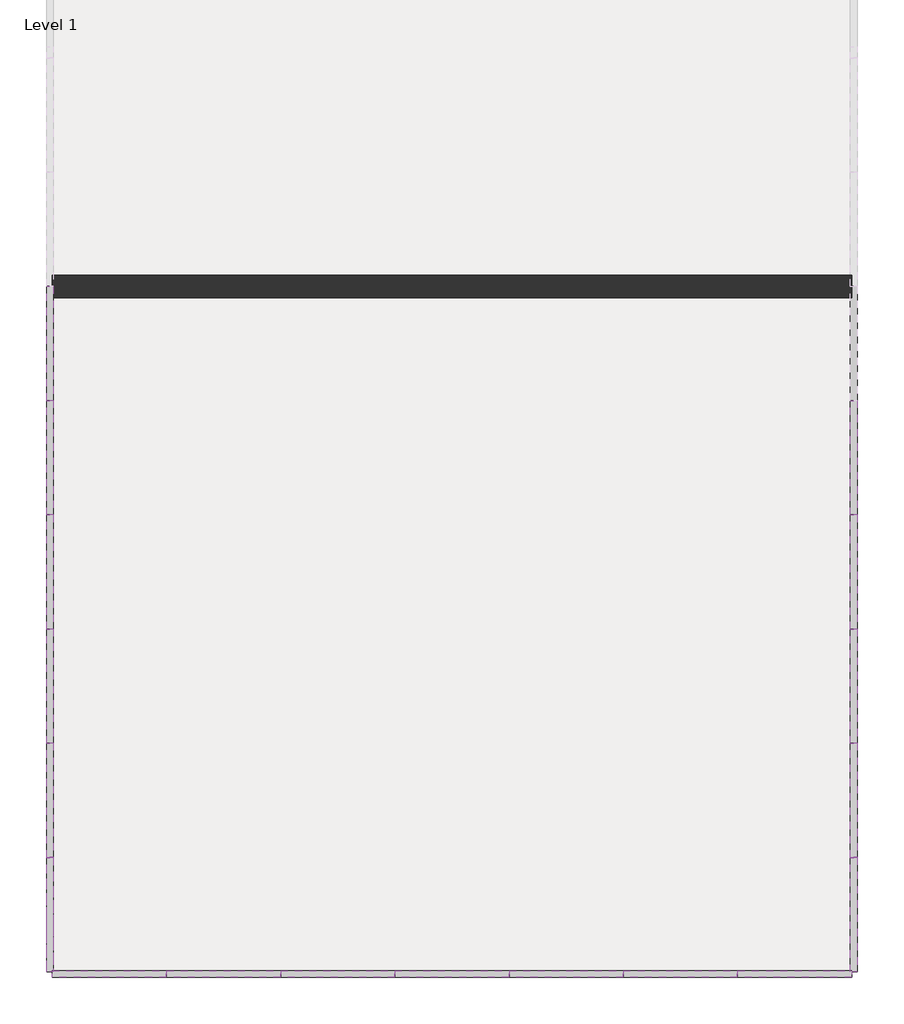
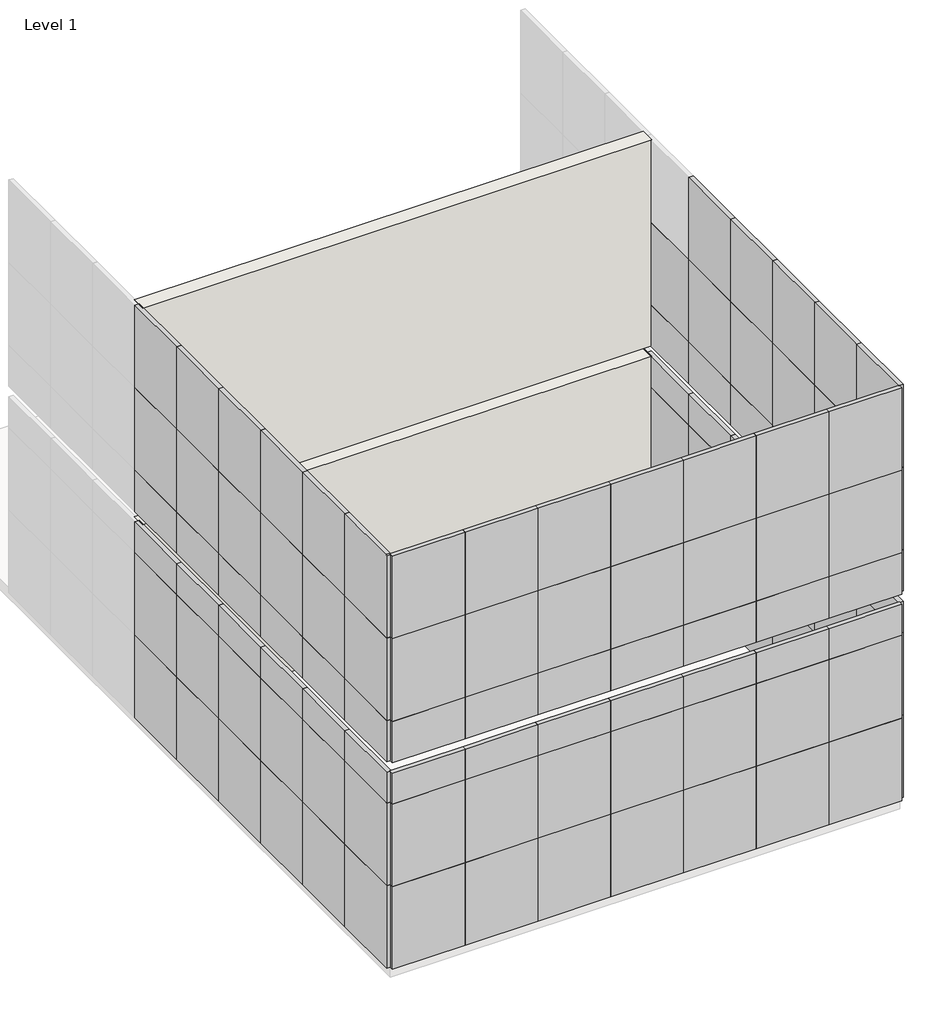
# One storey, part 1 of 2: 100 plates, 1 wall.
"""IFC4 building model written with IfcOpenShell, lengths in millimetres."""

import ifcopenshell
import ifcopenshell.guid

model = None  # the IFC model being written
_history = None  # IfcOwnerHistory: only IFC2X3 demands one
_inside = {}  # id of a spatial element -> (the spatial element, [elements in it])
_under = {}  # id of a project, library or spatial element -> (it, [spatial elements below it])
_declared = {}  # id of a project -> (the project, [libraries it declares])
_typed = {}  # id of a type object -> (the type object, [elements of that type])
_made_of = {}  # id of a material, layer set ... -> (it, [elements and type objects made of it])


def new_model(schema):
    """Start an empty IFC model of exactly this schema.

    Asked for "IFC4X3", IfcOpenShell would pick the latest addendum, in which some entities
    have other attributes; the version numbers below select the first issue.
    IFC2X3 requires an IfcOwnerHistory on every rooted entity: one is made here for all.
    """
    global model, _history
    if schema == "IFC4X3":
        model = ifcopenshell.file(schema_version=(4, 3, 0, 0))
    else:
        model = ifcopenshell.file(schema=schema)
    _inside.clear()
    _under.clear()
    _declared.clear()
    _typed.clear()
    _made_of.clear()
    _history = None
    if model.schema == "IFC2X3":
        org = make("IfcOrganization", Name="unknown")
        user = make(
            "IfcPersonAndOrganization",
            ThePerson=make("IfcPerson", FamilyName="unknown"),
            TheOrganization=org,
        )
        app = make(
            "IfcApplication",
            ApplicationDeveloper=org,
            Version="unknown",
            ApplicationFullName="unknown",
            ApplicationIdentifier="unknown",
        )
        _history = make(
            "IfcOwnerHistory",
            OwningUser=user,
            OwningApplication=app,
            ChangeAction="ADDED",
            CreationDate=0,
        )
    return model


def make(cls, **values):
    """One entity of the class cls with the attributes given. An attribute that is None is left unset."""
    return model.create_entity(
        cls, **{name: value for name, value in values.items() if value is not None}
    )


def rooted(cls, **values):
    """An entity with a GlobalId (a new one), such as an element, a storey or a relation."""
    return make(cls, GlobalId=ifcopenshell.guid.new(), OwnerHistory=_history, **values)


def si_unit(unit_type, name, prefix=None):
    """IfcSIUnit, for example si_unit("LENGTHUNIT", "METRE", prefix="MILLI")."""
    return make("IfcSIUnit", UnitType=unit_type, Prefix=prefix, Name=name)


def assignment(units):
    """IfcUnitAssignment: the units of a project."""
    return None if units is None else make("IfcUnitAssignment", Units=units)


def point(xyz):
    """IfcCartesianPoint."""
    return None if xyz is None else make("IfcCartesianPoint", Coordinates=xyz)


def direction(xyz):
    """IfcDirection."""
    return None if xyz is None else make("IfcDirection", DirectionRatios=xyz)


def frame(location, z_axis=None, x_axis=None):
    """IfcAxis2Placement3D, a coordinate frame: its origin and axes. An axis left out is left unset."""
    return make(
        "IfcAxis2Placement3D",
        Location=point(location),
        Axis=direction(z_axis),
        RefDirection=direction(x_axis),
    )


def origin():
    """The frame at (0, 0, 0) with its axes left unset."""
    return frame((0.0, 0.0, 0.0))


def origin_with_axes():
    """The frame at (0, 0, 0) with the z axis (0, 0, 1) and the x axis (1, 0, 0) written out."""
    return frame((0.0, 0.0, 0.0), z_axis=(0.0, 0.0, 1.0), x_axis=(1.0, 0.0, 0.0))


def place(relative_to, where):
    """IfcLocalPlacement: puts the frame where relative to a parent placement (None: the world)."""
    return make(
        "IfcLocalPlacement", PlacementRelTo=relative_to, RelativePlacement=where
    )


def context(
    kind, dimensions, precision=None, world=None, true_north=None, identifier=None
):
    """IfcGeometricRepresentationContext, for example the 3D "Model" context."""
    return make(
        "IfcGeometricRepresentationContext",
        ContextIdentifier=identifier,
        ContextType=kind,
        CoordinateSpaceDimension=dimensions,
        Precision=precision,
        WorldCoordinateSystem=world,
        TrueNorth=true_north,
    )


def project(units=None, contexts=None):
    """IfcProject with its units and contexts."""
    return rooted(
        "IfcProject",
        Name="project",
        RepresentationContexts=contexts,
        UnitsInContext=assignment(units),
    )


def spatial(cls, under=None, at=None, **own):
    """A site, building, storey or space (cls), placed at a placement, below another one or the project."""
    s = rooted(cls, ObjectPlacement=at, **own)
    if under is not None:
        _under.setdefault(under.id(), (under, []))[1].append(s)
    return s


def polyline(points):
    """IfcPolyline through the points."""
    return make("IfcPolyline", Points=[point(p) for p in points])


def outline(outer, holes=None, kind="AREA"):
    """IfcArbitraryClosedProfileDef: a profile drawn as a closed curve; with holes, ...WithVoids."""
    if holes is None:
        return make("IfcArbitraryClosedProfileDef", ProfileType=kind, OuterCurve=outer)
    return make(
        "IfcArbitraryProfileDefWithVoids",
        ProfileType=kind,
        OuterCurve=outer,
        InnerCurves=holes,
    )


def extrude(swept, where, along, depth):
    """IfcExtrudedAreaSolid: the profile swept, set in the frame where, extruded along a direction by depth."""
    return make(
        "IfcExtrudedAreaSolid",
        SweptArea=swept,
        Position=where,
        ExtrudedDirection=direction(along),
        Depth=depth,
    )


def shape(context_of_items, identifier, shape_type, items):
    """IfcShapeRepresentation: the items that make up one representation, for example the "Body"."""
    return make(
        "IfcShapeRepresentation",
        ContextOfItems=context_of_items,
        RepresentationIdentifier=identifier,
        RepresentationType=shape_type,
        Items=items,
    )


def source(mapping_origin, context_of_items, identifier, shape_type, items):
    """IfcRepresentationMap: a shape defined once, which mapped items show again and again."""
    return make(
        "IfcRepresentationMap",
        MappingOrigin=mapping_origin,
        MappedRepresentation=shape(context_of_items, identifier, shape_type, items),
    )


def transform(
    local_origin,
    x_axis=None,
    y_axis=None,
    z_axis=None,
    scale=None,
    scale2=None,
    scale3=None,
    uniform=True,
):
    """IfcCartesianTransformationOperator3D, or its non-uniform kind. x_axis, y_axis, z_axis: its Axis1, 2, 3."""
    if uniform:
        return make(
            "IfcCartesianTransformationOperator3D",
            Axis1=direction(x_axis),
            Axis2=direction(y_axis),
            LocalOrigin=point(local_origin),
            Scale=scale,
            Axis3=direction(z_axis),
        )
    return make(
        "IfcCartesianTransformationOperator3DnonUniform",
        Axis1=direction(x_axis),
        Axis2=direction(y_axis),
        LocalOrigin=point(local_origin),
        Scale=scale,
        Axis3=direction(z_axis),
        Scale2=scale2,
        Scale3=scale3,
    )


def mapped(mapping_source, mapping_target):
    """IfcMappedItem: shows the shape of a source again, moved by a transform."""
    return make(
        "IfcMappedItem", MappingSource=mapping_source, MappingTarget=mapping_target
    )


def made_of(thing, what):
    """Note that an element or type object is made of a material, layer set ...; save() writes the relation."""
    if what is not None:
        _made_of.setdefault(what.id(), (what, []))[1].append(thing)
    return thing


def element(
    cls,
    number,
    at=None,
    inside=None,
    cuts=None,
    type_object=None,
    material=None,
    context=None,
    identifier="Body",
    shape_type=None,
    held_by="IfcProductDefinitionShape",
    body=None,
    shapes=None,
    **own,
):
    """One element of the class cls, such as IfcWall. Its Tag is "e" and its number.

    at: its placement. inside: the storey or other place that contains it. cuts: it is an
    opening in that element (IfcRelVoidsElement). A single representation is given by context,
    identifier, shape_type and body (its items); several are given by shapes. held_by: the class
    of the entity that holds the representations. save() writes the other relations.
    """
    e = rooted(cls, Tag="e%d" % number, ObjectPlacement=at, **own)
    if body is not None:
        shapes = [shape(context, identifier, shape_type, body)]
    if shapes is not None:
        e.Representation = make(held_by, Representations=shapes)
    if inside is not None:
        _inside.setdefault(inside.id(), (inside, []))[1].append(e)
    if cuts is not None:
        rooted(
            "IfcRelVoidsElement", RelatingBuildingElement=cuts, RelatedOpeningElement=e
        )
    if type_object is not None:
        _typed.setdefault(type_object.id(), (type_object, []))[1].append(e)
    return made_of(e, material)


def aggregate(whole, parts):
    """IfcRelAggregates: a whole, such as a stair, and the parts it consists of."""
    return rooted("IfcRelAggregates", RelatingObject=whole, RelatedObjects=parts)


def save(model, path):
    """Write the relations noted so far, then the file.

    IfcRelAggregates (storeys below a building ...), IfcRelContainedInSpatialStructure (elements
    in a storey), IfcRelDefinesByType, IfcRelAssociatesMaterial and IfcRelDeclares: one each for
    every whole, place, type object, material and project.
    """
    for whole, parts in _under.values():
        aggregate(whole, parts)
    for where, things in _inside.values():
        rooted(
            "IfcRelContainedInSpatialStructure",
            RelatedElements=things,
            RelatingStructure=where,
        )
    for kind, things in _typed.values():
        rooted("IfcRelDefinesByType", RelatedObjects=things, RelatingType=kind)
    for what, things in _made_of.values():
        rooted("IfcRelAssociatesMaterial", RelatedObjects=things, RelatingMaterial=what)
    for by, libraries in _declared.values():
        rooted("IfcRelDeclares", RelatingContext=by, RelatedDefinitions=libraries)
    model.write(path)


def system_panel_solid_58f92528(model_context):
    return source(origin(), model_context, "Body", "SweptSolid", [
        extrude(outline(polyline([(500.0, -10.5), (-500.0, -10.5), (-500.0, 49.5), (500.0, 49.5), (500.0, -10.5)])), origin_with_axes(), (0.0, 0.0, 1.0), 1200.0),
    ])


def system_panel_solid_bfcc027a(model_context):
    return source(origin(), model_context, "Body", "SweptSolid", [
        extrude(outline(polyline([(500.0, -10.5), (-500.0, -10.5), (-500.0, 49.5), (500.0, 49.5), (500.0, -10.5)])), origin_with_axes(), (0.0, 0.0, 1.0), 450.0),
        extrude(outline(polyline([(500.0, -10.5), (-500.0, -10.5), (-500.0, 49.5), (500.0, 49.5), (500.0, -10.5)])), frame((0.0, 0.0, 600.0), z_axis=(0.0, 0.0, 1.0), x_axis=(1.0, 0.0, 0.0)), (0.0, 0.0, 1.0), 600.0),
    ])


def system_panel_solid_64d93a89(model_context):
    return source(origin(), model_context, "Body", "SweptSolid", [
        extrude(outline(polyline([(500.0, -10.5), (-500.0, -10.5), (-500.0, 49.5), (500.0, 49.5), (500.0, -10.5)])), frame((0.0, 0.0, 600.0), z_axis=(0.0, 0.0, 1.0), x_axis=(1.0, 0.0, 0.0)), (0.0, 0.0, 1.0), 600.0),
        extrude(outline(polyline([(500.0, -10.5), (-500.0, -10.5), (-500.0, 49.5), (500.0, 49.5), (500.0, -10.5)])), origin_with_axes(), (0.0, 0.0, 1.0), 450.0),
    ])


def system_panel_solid_f374b746(model_context):
    return source(origin(), model_context, "Body", "SweptSolid", [
        extrude(outline(polyline([(500.0, -10.5), (-500.0, -10.5), (-500.0, 49.5), (500.0, 49.5), (500.0, -10.5)])), origin_with_axes(), (0.0, 0.0, 1.0), 600.0),
    ])


def system_panel_solid_8fd1744f(model_context):
    return source(origin(), model_context, "Body", "SweptSolid", [
        extrude(outline(polyline([(500.0, -10.5), (-500.0, -10.5), (-500.0, 49.5), (500.0, 49.5), (500.0, -10.5)])), origin_with_axes(), (0.0, 0.0, 1.0), 450.0),
    ])


def system_panel_solid_b8e546aa(model_context):
    return source(origin(), model_context, "Body", "SweptSolid", [
        extrude(outline(polyline([(0.0, -500.0), (0.0, 500.0), (1200.0, 500.0), (1200.0, -475.0), (1200.0, -500.0), (0.0, -500.0)])), frame((0.0, -10.5, 0.0), z_axis=(0.0, 1.0, 0.0), x_axis=(0.0, 0.0, 1.0)), (0.0, 0.0, 1.0), 60.0),
    ])


model = new_model("IFC4")

# Units and contexts
model_context = context("Model", 3, world=origin())
ifc_project = project(units=[si_unit("LENGTHUNIT", "METRE", prefix="MILLI")], contexts=[model_context])

# Site, building, storey
site = spatial("IfcSite", under=ifc_project)
building = spatial("IfcBuilding", under=site)
storey = spatial("IfcBuildingStorey", under=building, Name="Level 1", Elevation=0.0)

# Plates
placement = place(None, origin())
system_panel_solid_shape = system_panel_solid_58f92528(model_context)
element("IfcPlate", 1, ObjectType="System Panel : Solid", at=placement, inside=storey, context=model_context, shape_type="MappedRepresentation", body=[
    mapped(system_panel_solid_shape, transform((-9633.956843, -13575.5675428, 0.0), x_axis=(0.0, 1.0, 0.0), y_axis=(-1.0, 0.0, 0.0), z_axis=(0.0, 0.0, 1.0))),
])
element("IfcPlate", 2, ObjectType="System Panel : Solid", at=placement, inside=storey, context=model_context, shape_type="MappedRepresentation", body=[
    mapped(system_panel_solid_shape, transform((-3133.956843, -14075.5675428, 0.0), x_axis=(-1.0, 0.0, 0.0), y_axis=(0.0, -1.0, 0.0), z_axis=(0.0, 0.0, 1.0))),
])
element("IfcPlate", 3, ObjectType="System Panel : Solid", at=placement, inside=storey, context=model_context, shape_type="MappedRepresentation", body=[
    mapped(system_panel_solid_shape, transform((-4133.956843, -14075.5675428, 0.0), x_axis=(-1.0, 0.0, 0.0), y_axis=(0.0, -1.0, 0.0), z_axis=(0.0, 0.0, 1.0))),
])
element("IfcPlate", 4, ObjectType="System Panel : Solid", at=placement, inside=storey, context=model_context, shape_type="MappedRepresentation", body=[
    mapped(system_panel_solid_shape, transform((-5133.956843, -14075.5675428, 0.0), x_axis=(-1.0, 0.0, 0.0), y_axis=(0.0, -1.0, 0.0), z_axis=(0.0, 0.0, 1.0))),
])
element("IfcPlate", 5, ObjectType="System Panel : Solid", at=placement, inside=storey, context=model_context, shape_type="MappedRepresentation", body=[
    mapped(system_panel_solid_shape, transform((-6133.956843, -14075.5675428, 0.0), x_axis=(-1.0, 0.0, 0.0), y_axis=(0.0, -1.0, 0.0), z_axis=(0.0, 0.0, 1.0))),
])
element("IfcPlate", 6, ObjectType="System Panel : Solid", at=placement, inside=storey, context=model_context, shape_type="MappedRepresentation", body=[
    mapped(system_panel_solid_shape, transform((-7133.956843, -14075.5675428, 0.0), x_axis=(-1.0, 0.0, 0.0), y_axis=(0.0, -1.0, 0.0), z_axis=(0.0, 0.0, 1.0))),
])
element("IfcPlate", 7, ObjectType="System Panel : Solid", at=placement, inside=storey, context=model_context, shape_type="MappedRepresentation", body=[
    mapped(system_panel_solid_shape, transform((-8133.956843, -14075.5675428, 0.0), x_axis=(-1.0, 0.0, 0.0), y_axis=(0.0, -1.0, 0.0), z_axis=(0.0, 0.0, 1.0))),
])
element("IfcPlate", 8, ObjectType="System Panel : Solid", at=placement, inside=storey, context=model_context, shape_type="MappedRepresentation", body=[
    mapped(system_panel_solid_shape, transform((-9133.956843, -14075.5675428, 0.0), x_axis=(-1.0, 0.0, 0.0), y_axis=(0.0, -1.0, 0.0), z_axis=(0.0, 0.0, 1.0))),
])
element("IfcPlate", 9, ObjectType="System Panel : Solid", at=placement, inside=storey, context=model_context, shape_type="MappedRepresentation", body=[
    mapped(system_panel_solid_shape, transform((-3133.956843, -14075.5675428, 1200.0), x_axis=(-1.0, 0.0, 0.0), y_axis=(0.0, -1.0, 0.0), z_axis=(0.0, 0.0, 1.0))),
])
element("IfcPlate", 10, ObjectType="System Panel : Solid", at=placement, inside=storey, context=model_context, shape_type="MappedRepresentation", body=[
    mapped(system_panel_solid_shape, transform((-4133.956843, -14075.5675428, 1200.0), x_axis=(-1.0, 0.0, 0.0), y_axis=(0.0, -1.0, 0.0), z_axis=(0.0, 0.0, 1.0))),
])
element("IfcPlate", 11, ObjectType="System Panel : Solid", at=placement, inside=storey, context=model_context, shape_type="MappedRepresentation", body=[
    mapped(system_panel_solid_shape, transform((-5133.956843, -14075.5675428, 1200.0), x_axis=(-1.0, 0.0, 0.0), y_axis=(0.0, -1.0, 0.0), z_axis=(0.0, 0.0, 1.0))),
])
element("IfcPlate", 12, ObjectType="System Panel : Solid", at=placement, inside=storey, context=model_context, shape_type="MappedRepresentation", body=[
    mapped(system_panel_solid_shape, transform((-6133.956843, -14075.5675428, 1200.0), x_axis=(-1.0, 0.0, 0.0), y_axis=(0.0, -1.0, 0.0), z_axis=(0.0, 0.0, 1.0))),
])
element("IfcPlate", 13, ObjectType="System Panel : Solid", at=placement, inside=storey, context=model_context, shape_type="MappedRepresentation", body=[
    mapped(system_panel_solid_shape, transform((-7133.956843, -14075.5675428, 1200.0), x_axis=(-1.0, 0.0, 0.0), y_axis=(0.0, -1.0, 0.0), z_axis=(0.0, 0.0, 1.0))),
])
element("IfcPlate", 14, ObjectType="System Panel : Solid", at=placement, inside=storey, context=model_context, shape_type="MappedRepresentation", body=[
    mapped(system_panel_solid_shape, transform((-8133.956843, -14075.5675428, 1200.0), x_axis=(-1.0, 0.0, 0.0), y_axis=(0.0, -1.0, 0.0), z_axis=(0.0, 0.0, 1.0))),
])
element("IfcPlate", 15, ObjectType="System Panel : Solid", at=placement, inside=storey, context=model_context, shape_type="MappedRepresentation", body=[
    mapped(system_panel_solid_shape, transform((-9133.956843, -14075.5675428, 1200.0), x_axis=(-1.0, 0.0, 0.0), y_axis=(0.0, -1.0, 0.0), z_axis=(0.0, 0.0, 1.0))),
])
element("IfcPlate", 16, ObjectType="System Panel : Solid", at=placement, inside=storey, context=model_context, shape_type="MappedRepresentation", body=[
    mapped(system_panel_solid_shape, transform((-3133.956843, -14075.5675428, 3600.0), x_axis=(-1.0, 0.0, 0.0), y_axis=(0.0, -1.0, 0.0), z_axis=(0.0, 0.0, 1.0))),
])
element("IfcPlate", 17, ObjectType="System Panel : Solid", at=placement, inside=storey, context=model_context, shape_type="MappedRepresentation", body=[
    mapped(system_panel_solid_shape, transform((-4133.956843, -14075.5675428, 3600.0), x_axis=(-1.0, 0.0, 0.0), y_axis=(0.0, -1.0, 0.0), z_axis=(0.0, 0.0, 1.0))),
])
element("IfcPlate", 18, ObjectType="System Panel : Solid", at=placement, inside=storey, context=model_context, shape_type="MappedRepresentation", body=[
    mapped(system_panel_solid_shape, transform((-5133.956843, -14075.5675428, 3600.0), x_axis=(-1.0, 0.0, 0.0), y_axis=(0.0, -1.0, 0.0), z_axis=(0.0, 0.0, 1.0))),
])
element("IfcPlate", 19, ObjectType="System Panel : Solid", at=placement, inside=storey, context=model_context, shape_type="MappedRepresentation", body=[
    mapped(system_panel_solid_shape, transform((-6133.956843, -14075.5675428, 3600.0), x_axis=(-1.0, 0.0, 0.0), y_axis=(0.0, -1.0, 0.0), z_axis=(0.0, 0.0, 1.0))),
])
element("IfcPlate", 20, ObjectType="System Panel : Solid", at=placement, inside=storey, context=model_context, shape_type="MappedRepresentation", body=[
    mapped(system_panel_solid_shape, transform((-7133.956843, -14075.5675428, 3600.0), x_axis=(-1.0, 0.0, 0.0), y_axis=(0.0, -1.0, 0.0), z_axis=(0.0, 0.0, 1.0))),
])
element("IfcPlate", 21, ObjectType="System Panel : Solid", at=placement, inside=storey, context=model_context, shape_type="MappedRepresentation", body=[
    mapped(system_panel_solid_shape, transform((-8133.956843, -14075.5675428, 3600.0), x_axis=(-1.0, 0.0, 0.0), y_axis=(0.0, -1.0, 0.0), z_axis=(0.0, 0.0, 1.0))),
])
element("IfcPlate", 22, ObjectType="System Panel : Solid", at=placement, inside=storey, context=model_context, shape_type="MappedRepresentation", body=[
    mapped(system_panel_solid_shape, transform((-9133.956843, -14075.5675428, 3600.0), x_axis=(-1.0, 0.0, 0.0), y_axis=(0.0, -1.0, 0.0), z_axis=(0.0, 0.0, 1.0))),
])
element("IfcPlate", 23, ObjectType="System Panel : Solid", at=placement, inside=storey, context=model_context, shape_type="MappedRepresentation", body=[
    mapped(system_panel_solid_shape, transform((-3133.956843, -14075.5675428, 4800.0), x_axis=(-1.0, 0.0, 0.0), y_axis=(0.0, -1.0, 0.0), z_axis=(0.0, 0.0, 1.0))),
])
element("IfcPlate", 24, ObjectType="System Panel : Solid", at=placement, inside=storey, context=model_context, shape_type="MappedRepresentation", body=[
    mapped(system_panel_solid_shape, transform((-4133.956843, -14075.5675428, 4800.0), x_axis=(-1.0, 0.0, 0.0), y_axis=(0.0, -1.0, 0.0), z_axis=(0.0, 0.0, 1.0))),
])
element("IfcPlate", 25, ObjectType="System Panel : Solid", at=placement, inside=storey, context=model_context, shape_type="MappedRepresentation", body=[
    mapped(system_panel_solid_shape, transform((-5133.956843, -14075.5675428, 4800.0), x_axis=(-1.0, 0.0, 0.0), y_axis=(0.0, -1.0, 0.0), z_axis=(0.0, 0.0, 1.0))),
])
element("IfcPlate", 26, ObjectType="System Panel : Solid", at=placement, inside=storey, context=model_context, shape_type="MappedRepresentation", body=[
    mapped(system_panel_solid_shape, transform((-6133.956843, -14075.5675428, 4800.0), x_axis=(-1.0, 0.0, 0.0), y_axis=(0.0, -1.0, 0.0), z_axis=(0.0, 0.0, 1.0))),
])
element("IfcPlate", 27, ObjectType="System Panel : Solid", at=placement, inside=storey, context=model_context, shape_type="MappedRepresentation", body=[
    mapped(system_panel_solid_shape, transform((-7133.956843, -14075.5675428, 4800.0), x_axis=(-1.0, 0.0, 0.0), y_axis=(0.0, -1.0, 0.0), z_axis=(0.0, 0.0, 1.0))),
])
element("IfcPlate", 28, ObjectType="System Panel : Solid", at=placement, inside=storey, context=model_context, shape_type="MappedRepresentation", body=[
    mapped(system_panel_solid_shape, transform((-8133.956843, -14075.5675428, 4800.0), x_axis=(-1.0, 0.0, 0.0), y_axis=(0.0, -1.0, 0.0), z_axis=(0.0, 0.0, 1.0))),
])
element("IfcPlate", 29, ObjectType="System Panel : Solid", at=placement, inside=storey, context=model_context, shape_type="MappedRepresentation", body=[
    mapped(system_panel_solid_shape, transform((-9133.956843, -14075.5675428, 4800.0), x_axis=(-1.0, 0.0, 0.0), y_axis=(0.0, -1.0, 0.0), z_axis=(0.0, 0.0, 1.0))),
])
element("IfcPlate", 30, ObjectType="System Panel : Solid", at=placement, inside=storey, context=model_context, shape_type="MappedRepresentation", body=[
    mapped(system_panel_solid_shape, transform((-9633.956843, -12575.5675428, 0.0), x_axis=(0.0, 1.0, 0.0), y_axis=(-1.0, 0.0, 0.0), z_axis=(0.0, 0.0, 1.0))),
])
element("IfcPlate", 31, ObjectType="System Panel : Solid", at=placement, inside=storey, context=model_context, shape_type="MappedRepresentation", body=[
    mapped(system_panel_solid_shape, transform((-9633.956843, -11575.5675428, 0.0), x_axis=(0.0, 1.0, 0.0), y_axis=(-1.0, 0.0, 0.0), z_axis=(0.0, 0.0, 1.0))),
])
element("IfcPlate", 32, ObjectType="System Panel : Solid", at=placement, inside=storey, context=model_context, shape_type="MappedRepresentation", body=[
    mapped(system_panel_solid_shape, transform((-9633.956843, -10575.5675428, 0.0), x_axis=(0.0, 1.0, 0.0), y_axis=(-1.0, 0.0, 0.0), z_axis=(0.0, 0.0, 1.0))),
])
element("IfcPlate", 33, ObjectType="System Panel : Solid", at=placement, inside=storey, context=model_context, shape_type="MappedRepresentation", body=[
    mapped(system_panel_solid_shape, transform((-9633.956843, -9575.5675428, 0.0), x_axis=(0.0, 1.0, 0.0), y_axis=(-1.0, 0.0, 0.0), z_axis=(0.0, 0.0, 1.0))),
])
element("IfcPlate", 34, ObjectType="System Panel : Solid", at=placement, inside=storey, context=model_context, shape_type="MappedRepresentation", body=[
    mapped(system_panel_solid_shape, transform((-9633.956843, -8575.5675428, 0.0), x_axis=(0.0, 1.0, 0.0), y_axis=(-1.0, 0.0, 0.0), z_axis=(0.0, 0.0, 1.0))),
])
element("IfcPlate", 35, ObjectType="System Panel : Solid", at=placement, inside=storey, context=model_context, shape_type="MappedRepresentation", body=[
    mapped(system_panel_solid_shape, transform((-9633.956843, -13575.5675428, 1200.0), x_axis=(0.0, 1.0, 0.0), y_axis=(-1.0, 0.0, 0.0), z_axis=(0.0, 0.0, 1.0))),
])
element("IfcPlate", 36, ObjectType="System Panel : Solid", at=placement, inside=storey, context=model_context, shape_type="MappedRepresentation", body=[
    mapped(system_panel_solid_shape, transform((-9633.956843, -12575.5675428, 1200.0), x_axis=(0.0, 1.0, 0.0), y_axis=(-1.0, 0.0, 0.0), z_axis=(0.0, 0.0, 1.0))),
])
element("IfcPlate", 37, ObjectType="System Panel : Solid", at=placement, inside=storey, context=model_context, shape_type="MappedRepresentation", body=[
    mapped(system_panel_solid_shape, transform((-9633.956843, -11575.5675428, 1200.0), x_axis=(0.0, 1.0, 0.0), y_axis=(-1.0, 0.0, 0.0), z_axis=(0.0, 0.0, 1.0))),
])
element("IfcPlate", 38, ObjectType="System Panel : Solid", at=placement, inside=storey, context=model_context, shape_type="MappedRepresentation", body=[
    mapped(system_panel_solid_shape, transform((-9633.956843, -10575.5675428, 1200.0), x_axis=(0.0, 1.0, 0.0), y_axis=(-1.0, 0.0, 0.0), z_axis=(0.0, 0.0, 1.0))),
])
element("IfcPlate", 39, ObjectType="System Panel : Solid", at=placement, inside=storey, context=model_context, shape_type="MappedRepresentation", body=[
    mapped(system_panel_solid_shape, transform((-9633.956843, -9575.5675428, 1200.0), x_axis=(0.0, 1.0, 0.0), y_axis=(-1.0, 0.0, 0.0), z_axis=(0.0, 0.0, 1.0))),
])
element("IfcPlate", 40, ObjectType="System Panel : Solid", at=placement, inside=storey, context=model_context, shape_type="MappedRepresentation", body=[
    mapped(system_panel_solid_shape, transform((-9633.956843, -8575.5675428, 1200.0), x_axis=(0.0, 1.0, 0.0), y_axis=(-1.0, 0.0, 0.0), z_axis=(0.0, 0.0, 1.0))),
])
element("IfcPlate", 41, ObjectType="System Panel : Solid", at=placement, inside=storey, context=model_context, shape_type="MappedRepresentation", body=[
    mapped(system_panel_solid_shape, transform((-9633.956843, -13575.5675428, 3600.0), x_axis=(0.0, 1.0, 0.0), y_axis=(-1.0, 0.0, 0.0), z_axis=(0.0, 0.0, 1.0))),
])
element("IfcPlate", 42, ObjectType="System Panel : Solid", at=placement, inside=storey, context=model_context, shape_type="MappedRepresentation", body=[
    mapped(system_panel_solid_shape, transform((-9633.956843, -12575.5675428, 3600.0), x_axis=(0.0, 1.0, 0.0), y_axis=(-1.0, 0.0, 0.0), z_axis=(0.0, 0.0, 1.0))),
])
element("IfcPlate", 43, ObjectType="System Panel : Solid", at=placement, inside=storey, context=model_context, shape_type="MappedRepresentation", body=[
    mapped(system_panel_solid_shape, transform((-9633.956843, -11575.5675428, 3600.0), x_axis=(0.0, 1.0, 0.0), y_axis=(-1.0, 0.0, 0.0), z_axis=(0.0, 0.0, 1.0))),
])
element("IfcPlate", 44, ObjectType="System Panel : Solid", at=placement, inside=storey, context=model_context, shape_type="MappedRepresentation", body=[
    mapped(system_panel_solid_shape, transform((-9633.956843, -10575.5675428, 3600.0), x_axis=(0.0, 1.0, 0.0), y_axis=(-1.0, 0.0, 0.0), z_axis=(0.0, 0.0, 1.0))),
])
element("IfcPlate", 45, ObjectType="System Panel : Solid", at=placement, inside=storey, context=model_context, shape_type="MappedRepresentation", body=[
    mapped(system_panel_solid_shape, transform((-9633.956843, -9575.5675428, 3600.0), x_axis=(0.0, 1.0, 0.0), y_axis=(-1.0, 0.0, 0.0), z_axis=(0.0, 0.0, 1.0))),
])
element("IfcPlate", 46, ObjectType="System Panel : Solid", at=placement, inside=storey, context=model_context, shape_type="MappedRepresentation", body=[
    mapped(system_panel_solid_shape, transform((-9633.956843, -8575.5675428, 3600.0), x_axis=(0.0, 1.0, 0.0), y_axis=(-1.0, 0.0, 0.0), z_axis=(0.0, 0.0, 1.0))),
])
element("IfcPlate", 47, ObjectType="System Panel : Solid", at=placement, inside=storey, context=model_context, shape_type="MappedRepresentation", body=[
    mapped(system_panel_solid_shape, transform((-9633.956843, -12575.5675428, 4800.0), x_axis=(0.0, 1.0, 0.0), y_axis=(-1.0, 0.0, 0.0), z_axis=(0.0, 0.0, 1.0))),
])
element("IfcPlate", 48, ObjectType="System Panel : Solid", at=placement, inside=storey, context=model_context, shape_type="MappedRepresentation", body=[
    mapped(system_panel_solid_shape, transform((-9633.956843, -11575.5675428, 4800.0), x_axis=(0.0, 1.0, 0.0), y_axis=(-1.0, 0.0, 0.0), z_axis=(0.0, 0.0, 1.0))),
])
element("IfcPlate", 49, ObjectType="System Panel : Solid", at=placement, inside=storey, context=model_context, shape_type="MappedRepresentation", body=[
    mapped(system_panel_solid_shape, transform((-9633.956843, -10575.5675428, 4800.0), x_axis=(0.0, 1.0, 0.0), y_axis=(-1.0, 0.0, 0.0), z_axis=(0.0, 0.0, 1.0))),
])
element("IfcPlate", 50, ObjectType="System Panel : Solid", at=placement, inside=storey, context=model_context, shape_type="MappedRepresentation", body=[
    mapped(system_panel_solid_shape, transform((-9633.956843, -9575.5675428, 4800.0), x_axis=(0.0, 1.0, 0.0), y_axis=(-1.0, 0.0, 0.0), z_axis=(0.0, 0.0, 1.0))),
])
element("IfcPlate", 51, ObjectType="System Panel : Solid", at=placement, inside=storey, context=model_context, shape_type="MappedRepresentation", body=[
    mapped(system_panel_solid_shape, transform((-9633.956843, -8575.5675428, 4800.0), x_axis=(0.0, 1.0, 0.0), y_axis=(-1.0, 0.0, 0.0), z_axis=(0.0, 0.0, 1.0))),
])
element("IfcPlate", 52, ObjectType="System Panel : Solid", at=placement, inside=storey, context=model_context, shape_type="MappedRepresentation", body=[
    mapped(system_panel_solid_shape, transform((-2633.956843, -8575.5675428, 0.0), x_axis=(0.0, -1.0, 0.0), y_axis=(1.0, 0.0, 0.0), z_axis=(0.0, 0.0, 1.0))),
])
element("IfcPlate", 53, ObjectType="System Panel : Solid", at=placement, inside=storey, context=model_context, shape_type="MappedRepresentation", body=[
    mapped(system_panel_solid_shape, transform((-2633.956843, -9575.5675428, 0.0), x_axis=(0.0, -1.0, 0.0), y_axis=(1.0, 0.0, 0.0), z_axis=(0.0, 0.0, 1.0))),
])
element("IfcPlate", 54, ObjectType="System Panel : Solid", at=placement, inside=storey, context=model_context, shape_type="MappedRepresentation", body=[
    mapped(system_panel_solid_shape, transform((-2633.956843, -10575.5675428, 0.0), x_axis=(0.0, -1.0, 0.0), y_axis=(1.0, 0.0, 0.0), z_axis=(0.0, 0.0, 1.0))),
])
element("IfcPlate", 55, ObjectType="System Panel : Solid", at=placement, inside=storey, context=model_context, shape_type="MappedRepresentation", body=[
    mapped(system_panel_solid_shape, transform((-2633.956843, -11575.5675428, 0.0), x_axis=(0.0, -1.0, 0.0), y_axis=(1.0, 0.0, 0.0), z_axis=(0.0, 0.0, 1.0))),
])
element("IfcPlate", 56, ObjectType="System Panel : Solid", at=placement, inside=storey, context=model_context, shape_type="MappedRepresentation", body=[
    mapped(system_panel_solid_shape, transform((-2633.956843, -12575.5675428, 0.0), x_axis=(0.0, -1.0, 0.0), y_axis=(1.0, 0.0, 0.0), z_axis=(0.0, 0.0, 1.0))),
])
element("IfcPlate", 57, ObjectType="System Panel : Solid", at=placement, inside=storey, context=model_context, shape_type="MappedRepresentation", body=[
    mapped(system_panel_solid_shape, transform((-2633.956843, -13575.5675428, 0.0), x_axis=(0.0, -1.0, 0.0), y_axis=(1.0, 0.0, 0.0), z_axis=(0.0, 0.0, 1.0))),
])
element("IfcPlate", 58, ObjectType="System Panel : Solid", at=placement, inside=storey, context=model_context, shape_type="MappedRepresentation", body=[
    mapped(system_panel_solid_shape, transform((-2633.956843, -8575.5675428, 1200.0), x_axis=(0.0, -1.0, 0.0), y_axis=(1.0, 0.0, 0.0), z_axis=(0.0, 0.0, 1.0))),
])
element("IfcPlate", 59, ObjectType="System Panel : Solid", at=placement, inside=storey, context=model_context, shape_type="MappedRepresentation", body=[
    mapped(system_panel_solid_shape, transform((-2633.956843, -9575.5675428, 1200.0), x_axis=(0.0, -1.0, 0.0), y_axis=(1.0, 0.0, 0.0), z_axis=(0.0, 0.0, 1.0))),
])
element("IfcPlate", 60, ObjectType="System Panel : Solid", at=placement, inside=storey, context=model_context, shape_type="MappedRepresentation", body=[
    mapped(system_panel_solid_shape, transform((-2633.956843, -10575.5675428, 1200.0), x_axis=(0.0, -1.0, 0.0), y_axis=(1.0, 0.0, 0.0), z_axis=(0.0, 0.0, 1.0))),
])
element("IfcPlate", 61, ObjectType="System Panel : Solid", at=placement, inside=storey, context=model_context, shape_type="MappedRepresentation", body=[
    mapped(system_panel_solid_shape, transform((-2633.956843, -11575.5675428, 1200.0), x_axis=(0.0, -1.0, 0.0), y_axis=(1.0, 0.0, 0.0), z_axis=(0.0, 0.0, 1.0))),
])
element("IfcPlate", 62, ObjectType="System Panel : Solid", at=placement, inside=storey, context=model_context, shape_type="MappedRepresentation", body=[
    mapped(system_panel_solid_shape, transform((-2633.956843, -12575.5675428, 1200.0), x_axis=(0.0, -1.0, 0.0), y_axis=(1.0, 0.0, 0.0), z_axis=(0.0, 0.0, 1.0))),
])
element("IfcPlate", 63, ObjectType="System Panel : Solid", at=placement, inside=storey, context=model_context, shape_type="MappedRepresentation", body=[
    mapped(system_panel_solid_shape, transform((-2633.956843, -13575.5675428, 1200.0), x_axis=(0.0, -1.0, 0.0), y_axis=(1.0, 0.0, 0.0), z_axis=(0.0, 0.0, 1.0))),
])
element("IfcPlate", 64, ObjectType="System Panel : Solid", at=placement, inside=storey, context=model_context, shape_type="MappedRepresentation", body=[
    mapped(system_panel_solid_shape, transform((-2633.956843, -8575.5675428, 3600.0), x_axis=(0.0, -1.0, 0.0), y_axis=(1.0, 0.0, 0.0), z_axis=(0.0, 0.0, 1.0))),
])
element("IfcPlate", 65, ObjectType="System Panel : Solid", at=placement, inside=storey, context=model_context, shape_type="MappedRepresentation", body=[
    mapped(system_panel_solid_shape, transform((-2633.956843, -9575.5675428, 3600.0), x_axis=(0.0, -1.0, 0.0), y_axis=(1.0, 0.0, 0.0), z_axis=(0.0, 0.0, 1.0))),
])
element("IfcPlate", 66, ObjectType="System Panel : Solid", at=placement, inside=storey, context=model_context, shape_type="MappedRepresentation", body=[
    mapped(system_panel_solid_shape, transform((-2633.956843, -10575.5675428, 3600.0), x_axis=(0.0, -1.0, 0.0), y_axis=(1.0, 0.0, 0.0), z_axis=(0.0, 0.0, 1.0))),
])
element("IfcPlate", 67, ObjectType="System Panel : Solid", at=placement, inside=storey, context=model_context, shape_type="MappedRepresentation", body=[
    mapped(system_panel_solid_shape, transform((-2633.956843, -11575.5675428, 3600.0), x_axis=(0.0, -1.0, 0.0), y_axis=(1.0, 0.0, 0.0), z_axis=(0.0, 0.0, 1.0))),
])
element("IfcPlate", 68, ObjectType="System Panel : Solid", at=placement, inside=storey, context=model_context, shape_type="MappedRepresentation", body=[
    mapped(system_panel_solid_shape, transform((-2633.956843, -12575.5675428, 3600.0), x_axis=(0.0, -1.0, 0.0), y_axis=(1.0, 0.0, 0.0), z_axis=(0.0, 0.0, 1.0))),
])
element("IfcPlate", 69, ObjectType="System Panel : Solid", at=placement, inside=storey, context=model_context, shape_type="MappedRepresentation", body=[
    mapped(system_panel_solid_shape, transform((-2633.956843, -13575.5675428, 3600.0), x_axis=(0.0, -1.0, 0.0), y_axis=(1.0, 0.0, 0.0), z_axis=(0.0, 0.0, 1.0))),
])
element("IfcPlate", 70, ObjectType="System Panel : Solid", at=placement, inside=storey, context=model_context, shape_type="MappedRepresentation", body=[
    mapped(system_panel_solid_shape, transform((-2633.956843, -9575.5675428, 4800.0), x_axis=(0.0, -1.0, 0.0), y_axis=(1.0, 0.0, 0.0), z_axis=(0.0, 0.0, 1.0))),
])
element("IfcPlate", 71, ObjectType="System Panel : Solid", at=placement, inside=storey, context=model_context, shape_type="MappedRepresentation", body=[
    mapped(system_panel_solid_shape, transform((-2633.956843, -10575.5675428, 4800.0), x_axis=(0.0, -1.0, 0.0), y_axis=(1.0, 0.0, 0.0), z_axis=(0.0, 0.0, 1.0))),
])
element("IfcPlate", 72, ObjectType="System Panel : Solid", at=placement, inside=storey, context=model_context, shape_type="MappedRepresentation", body=[
    mapped(system_panel_solid_shape, transform((-2633.956843, -11575.5675428, 4800.0), x_axis=(0.0, -1.0, 0.0), y_axis=(1.0, 0.0, 0.0), z_axis=(0.0, 0.0, 1.0))),
])
element("IfcPlate", 73, ObjectType="System Panel : Solid", at=placement, inside=storey, context=model_context, shape_type="MappedRepresentation", body=[
    mapped(system_panel_solid_shape, transform((-2633.956843, -12575.5675428, 4800.0), x_axis=(0.0, -1.0, 0.0), y_axis=(1.0, 0.0, 0.0), z_axis=(0.0, 0.0, 1.0))),
])
element("IfcPlate", 74, ObjectType="System Panel : Solid", at=placement, inside=storey, context=model_context, shape_type="MappedRepresentation", body=[
    mapped(system_panel_solid_shape, transform((-2633.956843, -13575.5675428, 4800.0), x_axis=(0.0, -1.0, 0.0), y_axis=(1.0, 0.0, 0.0), z_axis=(0.0, 0.0, 1.0))),
])
system_panel_solid_2_shape = system_panel_solid_bfcc027a(model_context)
element("IfcPlate", 75, ObjectType="System Panel : Solid", at=placement, inside=storey, context=model_context, shape_type="MappedRepresentation", body=[
    mapped(system_panel_solid_2_shape, transform((-3133.956843, -14075.5675428, 2400.0), x_axis=(-1.0, 0.0, 0.0), y_axis=(0.0, -1.0, 0.0), z_axis=(0.0, 0.0, 1.0))),
])
system_panel_solid_3_shape = system_panel_solid_64d93a89(model_context)
element("IfcPlate", 76, ObjectType="System Panel : Solid", at=placement, inside=storey, context=model_context, shape_type="MappedRepresentation", body=[
    mapped(system_panel_solid_3_shape, transform((-4133.956843, -14075.5675428, 2400.0), x_axis=(-1.0, 0.0, 0.0), y_axis=(0.0, -1.0, 0.0), z_axis=(0.0, 0.0, 1.0))),
])
element("IfcPlate", 77, ObjectType="System Panel : Solid", at=placement, inside=storey, context=model_context, shape_type="MappedRepresentation", body=[
    mapped(system_panel_solid_3_shape, transform((-5133.956843, -14075.5675428, 2400.0), x_axis=(-1.0, 0.0, 0.0), y_axis=(0.0, -1.0, 0.0), z_axis=(0.0, 0.0, 1.0))),
])
element("IfcPlate", 78, ObjectType="System Panel : Solid", at=placement, inside=storey, context=model_context, shape_type="MappedRepresentation", body=[
    mapped(system_panel_solid_3_shape, transform((-6133.956843, -14075.5675428, 2400.0), x_axis=(-1.0, 0.0, 0.0), y_axis=(0.0, -1.0, 0.0), z_axis=(0.0, 0.0, 1.0))),
])
element("IfcPlate", 79, ObjectType="System Panel : Solid", at=placement, inside=storey, context=model_context, shape_type="MappedRepresentation", body=[
    mapped(system_panel_solid_3_shape, transform((-7133.956843, -14075.5675428, 2400.0), x_axis=(-1.0, 0.0, 0.0), y_axis=(0.0, -1.0, 0.0), z_axis=(0.0, 0.0, 1.0))),
])
element("IfcPlate", 80, ObjectType="System Panel : Solid", at=placement, inside=storey, context=model_context, shape_type="MappedRepresentation", body=[
    mapped(system_panel_solid_3_shape, transform((-8133.956843, -14075.5675428, 2400.0), x_axis=(-1.0, 0.0, 0.0), y_axis=(0.0, -1.0, 0.0), z_axis=(0.0, 0.0, 1.0))),
])
element("IfcPlate", 81, ObjectType="System Panel : Solid", at=placement, inside=storey, context=model_context, shape_type="MappedRepresentation", body=[
    mapped(system_panel_solid_3_shape, transform((-9133.956843, -14075.5675428, 2400.0), x_axis=(-1.0, 0.0, 0.0), y_axis=(0.0, -1.0, 0.0), z_axis=(0.0, 0.0, 1.0))),
])
element("IfcPlate", 82, ObjectType="System Panel : Solid", at=placement, inside=storey, context=model_context, shape_type="MappedRepresentation", body=[
    mapped(system_panel_solid_3_shape, transform((-2633.956843, -8575.5675428, 2400.0), x_axis=(0.0, -1.0, 0.0), y_axis=(1.0, 0.0, 0.0), z_axis=(0.0, 0.0, 1.0))),
])
element("IfcPlate", 83, ObjectType="System Panel : Solid", at=placement, inside=storey, context=model_context, shape_type="MappedRepresentation", body=[
    mapped(system_panel_solid_3_shape, transform((-2633.956843, -9575.5675428, 2400.0), x_axis=(0.0, -1.0, 0.0), y_axis=(1.0, 0.0, 0.0), z_axis=(0.0, 0.0, 1.0))),
])
element("IfcPlate", 84, ObjectType="System Panel : Solid", at=placement, inside=storey, context=model_context, shape_type="MappedRepresentation", body=[
    mapped(system_panel_solid_3_shape, transform((-2633.956843, -10575.5675428, 2400.0), x_axis=(0.0, -1.0, 0.0), y_axis=(1.0, 0.0, 0.0), z_axis=(0.0, 0.0, 1.0))),
])
element("IfcPlate", 85, ObjectType="System Panel : Solid", at=placement, inside=storey, context=model_context, shape_type="MappedRepresentation", body=[
    mapped(system_panel_solid_3_shape, transform((-2633.956843, -11575.5675428, 2400.0), x_axis=(0.0, -1.0, 0.0), y_axis=(1.0, 0.0, 0.0), z_axis=(0.0, 0.0, 1.0))),
])
element("IfcPlate", 86, ObjectType="System Panel : Solid", at=placement, inside=storey, context=model_context, shape_type="MappedRepresentation", body=[
    mapped(system_panel_solid_3_shape, transform((-2633.956843, -12575.5675428, 2400.0), x_axis=(0.0, -1.0, 0.0), y_axis=(1.0, 0.0, 0.0), z_axis=(0.0, 0.0, 1.0))),
])
element("IfcPlate", 87, ObjectType="System Panel : Solid", at=placement, inside=storey, context=model_context, shape_type="MappedRepresentation", body=[
    mapped(system_panel_solid_3_shape, transform((-2633.956843, -13575.5675428, 2400.0), x_axis=(0.0, -1.0, 0.0), y_axis=(1.0, 0.0, 0.0), z_axis=(0.0, 0.0, 1.0))),
])
system_panel_solid_4_shape = system_panel_solid_f374b746(model_context)
element("IfcPlate", 88, ObjectType="System Panel : Solid", at=placement, inside=storey, context=model_context, shape_type="MappedRepresentation", body=[
    mapped(system_panel_solid_4_shape, transform((-9633.956843, -13575.5675428, 3000.0), x_axis=(0.0, 1.0, 0.0), y_axis=(-1.0, 0.0, 0.0), z_axis=(0.0, 0.0, 1.0))),
])
element("IfcPlate", 89, ObjectType="System Panel : Solid", at=placement, inside=storey, context=model_context, shape_type="MappedRepresentation", body=[
    mapped(system_panel_solid_4_shape, transform((-9633.956843, -12575.5675428, 3000.0), x_axis=(0.0, 1.0, 0.0), y_axis=(-1.0, 0.0, 0.0), z_axis=(0.0, 0.0, 1.0))),
])
element("IfcPlate", 90, ObjectType="System Panel : Solid", at=placement, inside=storey, context=model_context, shape_type="MappedRepresentation", body=[
    mapped(system_panel_solid_4_shape, transform((-9633.956843, -11575.5675428, 3000.0), x_axis=(0.0, 1.0, 0.0), y_axis=(-1.0, 0.0, 0.0), z_axis=(0.0, 0.0, 1.0))),
])
element("IfcPlate", 91, ObjectType="System Panel : Solid", at=placement, inside=storey, context=model_context, shape_type="MappedRepresentation", body=[
    mapped(system_panel_solid_4_shape, transform((-9633.956843, -10575.5675428, 3000.0), x_axis=(0.0, 1.0, 0.0), y_axis=(-1.0, 0.0, 0.0), z_axis=(0.0, 0.0, 1.0))),
])
element("IfcPlate", 92, ObjectType="System Panel : Solid", at=placement, inside=storey, context=model_context, shape_type="MappedRepresentation", body=[
    mapped(system_panel_solid_4_shape, transform((-9633.956843, -9575.5675428, 3000.0), x_axis=(0.0, 1.0, 0.0), y_axis=(-1.0, 0.0, 0.0), z_axis=(0.0, 0.0, 1.0))),
])
element("IfcPlate", 93, ObjectType="System Panel : Solid", at=placement, inside=storey, context=model_context, shape_type="MappedRepresentation", body=[
    mapped(system_panel_solid_4_shape, transform((-9633.956843, -8575.5675428, 3000.0), x_axis=(0.0, 1.0, 0.0), y_axis=(-1.0, 0.0, 0.0), z_axis=(0.0, 0.0, 1.0))),
])
system_panel_solid_5_shape = system_panel_solid_8fd1744f(model_context)
element("IfcPlate", 94, ObjectType="System Panel : Solid", at=placement, inside=storey, context=model_context, shape_type="MappedRepresentation", body=[
    mapped(system_panel_solid_5_shape, transform((-9633.956843, -13575.5675428, 2400.0), x_axis=(0.0, 1.0, 0.0), y_axis=(-1.0, 0.0, 0.0), z_axis=(0.0, 0.0, 1.0))),
])
element("IfcPlate", 95, ObjectType="System Panel : Solid", at=placement, inside=storey, context=model_context, shape_type="MappedRepresentation", body=[
    mapped(system_panel_solid_5_shape, transform((-9633.956843, -12575.5675428, 2400.0), x_axis=(0.0, 1.0, 0.0), y_axis=(-1.0, 0.0, 0.0), z_axis=(0.0, 0.0, 1.0))),
])
element("IfcPlate", 96, ObjectType="System Panel : Solid", at=placement, inside=storey, context=model_context, shape_type="MappedRepresentation", body=[
    mapped(system_panel_solid_5_shape, transform((-9633.956843, -11575.5675428, 2400.0), x_axis=(0.0, 1.0, 0.0), y_axis=(-1.0, 0.0, 0.0), z_axis=(0.0, 0.0, 1.0))),
])
element("IfcPlate", 97, ObjectType="System Panel : Solid", at=placement, inside=storey, context=model_context, shape_type="MappedRepresentation", body=[
    mapped(system_panel_solid_5_shape, transform((-9633.956843, -10575.5675428, 2400.0), x_axis=(0.0, 1.0, 0.0), y_axis=(-1.0, 0.0, 0.0), z_axis=(0.0, 0.0, 1.0))),
])
element("IfcPlate", 98, ObjectType="System Panel : Solid", at=placement, inside=storey, context=model_context, shape_type="MappedRepresentation", body=[
    mapped(system_panel_solid_5_shape, transform((-9633.956843, -9575.5675428, 2400.0), x_axis=(0.0, 1.0, 0.0), y_axis=(-1.0, 0.0, 0.0), z_axis=(0.0, 0.0, 1.0))),
])
element("IfcPlate", 99, ObjectType="System Panel : Solid", at=placement, inside=storey, context=model_context, shape_type="MappedRepresentation", body=[
    mapped(system_panel_solid_5_shape, transform((-9633.956843, -8575.5675428, 2400.0), x_axis=(0.0, 1.0, 0.0), y_axis=(-1.0, 0.0, 0.0), z_axis=(0.0, 0.0, 1.0))),
])
system_panel_solid_6_shape = system_panel_solid_b8e546aa(model_context)
element("IfcPlate", 100, ObjectType="System Panel : Solid", at=placement, inside=storey, context=model_context, shape_type="MappedRepresentation", body=[
    mapped(system_panel_solid_6_shape, transform((-9633.956843, -13575.5675428, 4800.0), x_axis=(0.0, 1.0, 0.0), y_axis=(-1.0, 0.0, 0.0), z_axis=(0.0, 0.0, 1.0))),
])

# Wall
element("IfcWall", 101, ObjectType="Generic - 200mm", at=placement, inside=storey, context=model_context, shape_type="SweptSolid", body=[
    extrude(outline(polyline([(-2633.956843, -8175.5675428), (-9633.956843, -8175.5675428), (-9633.956843, -7975.5675428), (-2633.956843, -7975.5675428), (-2633.956843, -8175.5675428)])), origin_with_axes(), (0.0, 0.0, 1.0), 2850.0),
    extrude(outline(polyline([(-2633.956843, -8175.5675428), (-9633.956843, -8175.5675428), (-9633.956843, -7975.5675428), (-2633.956843, -7975.5675428), (-2633.956843, -8175.5675428)])), frame((0.0, 0.0, 3000.0), z_axis=(0.0, 0.0, 1.0), x_axis=(1.0, 0.0, 0.0)), (0.0, 0.0, 1.0), 3000.0),
])

save(model, "model.ifc")
